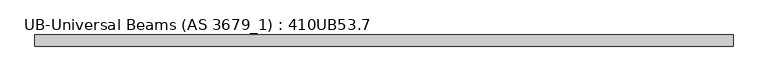
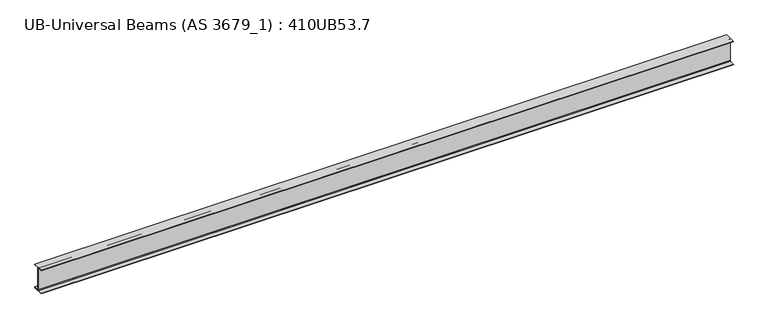
"""IFC4 building model written with IfcOpenShell, lengths in millimetres: beam geometry, UB-Universal Beams (AS 3679_1) : 410UB53.7."""

from ifc_helpers import new_model, si_unit, point, frame, frame_2d, origin, place, context, project, spatial, polyline, circle_curve, trimmed, segment, composite_curve, outline, extrude, source, transform, mapped, element, save


def ub_universal_beams_as_3679_1_410ub53_7_445ab274(model_context):
    return source(origin(), model_context, "Body", "SweptSolid", [
        extrude(outline(composite_curve([segment(polyline([(89.0, -190.4), (89.0, -201.3), (-89.0, -201.3), (-89.0, -190.4), (-15.2, -190.4)]), True, "CONTINUOUS"), segment(trimmed(circle_curve(frame_2d((-15.2, -179.0)), 11.4), [point((-15.2, -190.4))], [point((-3.8, -179.0))], True, "CARTESIAN"), True, "CONTINUOUS"), segment(polyline([(-3.8, -179.0), (-3.8, 179.0)]), True, "CONTINUOUS"), segment(trimmed(circle_curve(frame_2d((-15.2, 179.0)), 11.4), [point((-3.8, 179.0))], [point((-15.2, 190.4))], True, "CARTESIAN"), True, "CONTINUOUS"), segment(polyline([(-15.2, 190.4), (-89.0, 190.4), (-89.0, 201.3), (89.0, 201.3), (89.0, 190.4), (15.2, 190.4)]), True, "CONTINUOUS"), segment(trimmed(circle_curve(frame_2d((15.2, 179.0)), 11.4), [point((15.2, 190.4))], [point((3.8, 179.0))], True, "CARTESIAN"), True, "CONTINUOUS"), segment(polyline([(3.8, 179.0), (3.8, -179.0)]), True, "CONTINUOUS"), segment(trimmed(circle_curve(frame_2d((15.2, -179.0)), 11.4), [point((3.8, -179.0))], [point((15.2, -190.4))], True, "CARTESIAN"), True, "CONTINUOUS"), segment(polyline([(15.2, -190.4), (89.0, -190.4)]), True, "CONTINUOUS")], self_intersect=False)), frame((-5600.45, 0.0, 0.0), z_axis=(1.0, 0.0, 0.0), x_axis=(0.0, 1.0, 0.0)), (0.0, 0.0, 1.0), 11200.9),
    ])


if __name__ == "__main__":
    model = new_model("IFC4")
    model_context = context("Model", 3, world=origin())
    ifc_project = project(units=[si_unit("LENGTHUNIT", "METRE", prefix="MILLI")], contexts=[model_context])
    site = spatial("IfcSite", under=ifc_project)
    building = spatial("IfcBuilding", under=site)
    placement = place(None, origin())
    ub_universal_beams_as_3679_1_410ub53_7_shape = ub_universal_beams_as_3679_1_410ub53_7_445ab274(model_context)
    element("IfcBeam", 1, ObjectType="UB-Universal Beams (AS 3679_1) : 410UB53.7", at=placement, inside=building, context=model_context, shape_type="MappedRepresentation", body=[
        mapped(ub_universal_beams_as_3679_1_410ub53_7_shape, transform((0.0, 0.0, 0.0), x_axis=(1.0, 0.0, 0.0), y_axis=(0.0, 1.0, 0.0), z_axis=(0.0, 0.0, 1.0))),
    ])
    save(model, "model.ifc")
